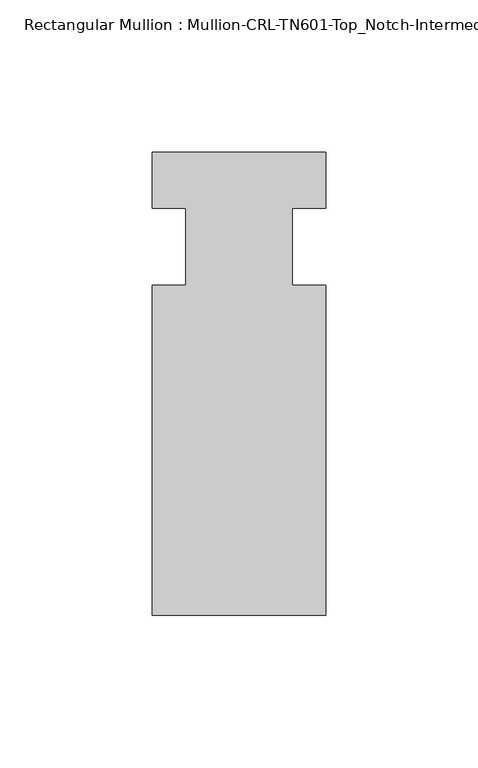
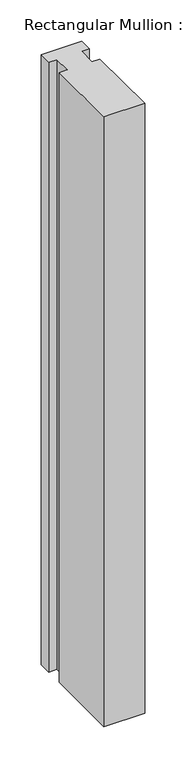
"""IFC4 building model written with IfcOpenShell, lengths in millimetres: member geometry, Rectangular Mullion : Mullion-CRL-TN601-Top_Notch-Intermediate_Vertical."""

from ifc_helpers import new_model, si_unit, frame, origin, place, context, project, spatial, polyline, outline, extrude, source, transform, mapped, element, save


def rectangular_mullion_mullion_crl_tn601_top_notch_intermediate_880041f0(model_context):
    return source(origin(), model_context, "Body", "SweptSolid", [
        extrude(outline(polyline([(-28.575, -12.7), (-17.4625, -12.7), (-17.4625, 12.7), (-28.575, 12.7), (-28.575, 31.1404), (28.575, 31.1404), (28.575, 12.7), (17.4625, 12.7), (17.4625, -12.7), (28.575, -12.7), (28.575, -121.2596), (-28.575, -121.2596), (-28.575, -12.7)])), frame((0.0, 0.0, -905.019537), z_axis=(0.0, 0.0, 1.0), x_axis=(1.0, 0.0, 0.0)), (0.0, 0.0, 1.0), 905.019537),
    ])


if __name__ == "__main__":
    model = new_model("IFC4")
    model_context = context("Model", 3, world=origin())
    ifc_project = project(units=[si_unit("LENGTHUNIT", "METRE", prefix="MILLI")], contexts=[model_context])
    site = spatial("IfcSite", under=ifc_project)
    building = spatial("IfcBuilding", under=site)
    placement = place(None, origin())
    rectangular_mullion_mullion_crl_tn601_top_notch_intermediate_shape = rectangular_mullion_mullion_crl_tn601_top_notch_intermediate_880041f0(model_context)
    element("IfcMember", 1, ObjectType="Rectangular Mullion : Mullion-CRL-TN601-Top_Notch-Intermediate_Vertical", at=placement, inside=building, context=model_context, shape_type="MappedRepresentation", body=[
        mapped(rectangular_mullion_mullion_crl_tn601_top_notch_intermediate_shape, transform((0.0, 0.0, 0.0), x_axis=(1.0, 0.0, 0.0), y_axis=(0.0, 1.0, 0.0), z_axis=(0.0, 0.0, 1.0))),
    ])
    save(model, "model.ifc")
